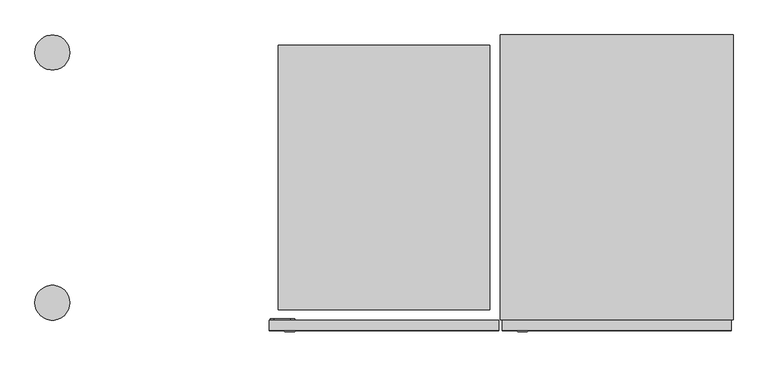
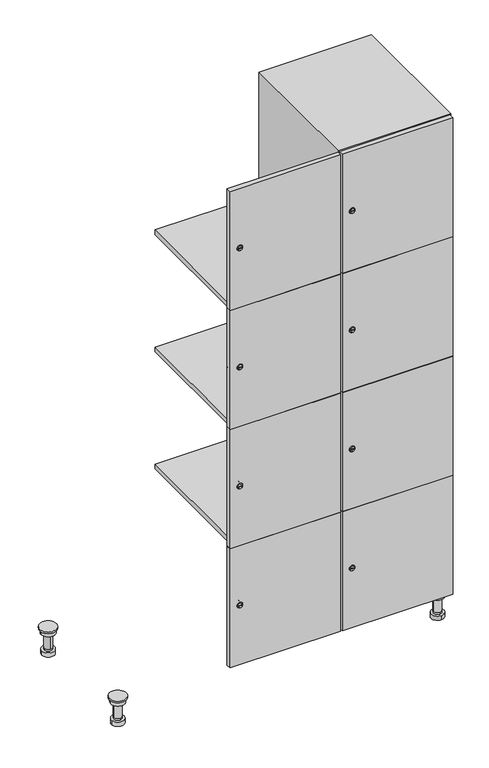
"""IFC4 building model written with IfcOpenShell, lengths in millimetres: furniture geometry."""

from ifc_helpers import new_model, si_unit, point, frame, frame_2d, origin, place, context, project, spatial, polyline, circle_curve, trimmed, segment, composite_curve, outline, extrude, faceted_brep, source, transform, mapped, element, save
from ifc_brep_helpers import plane_surface, cylinder_surface, revolved_surface, advanced_brep


def furniture_24aa68b5(model_context):
    return source(origin(), model_context, "Body", "SolidModel", [
        advanced_brep(
        [(970.0, -201.0, 22.0), (970.0, -201.5, 16.0), (970.0, -228.5, 16.0), (970.0, -229.0, 22.0), (956.0, -215.0, 22.0), (984.0, -215.0, 22.0), (970.0, -192.5, 16.0), (970.0, -237.5, 16.0), (970.0, -192.5, 0.0), (970.0, -237.5, 0.0), (984.0, -215.0, 78.0), (956.0, -215.0, 78.0), (995.0, -215.0, 78.0), (945.0, -215.0, 78.0), (1000.0, -215.0, 94.0), (940.0, -215.0, 94.0), (945.0, -215.0, 94.0), (995.0, -215.0, 94.0), (1000.0, -215.0, 100.0), (940.0, -215.0, 100.0)],
        [
            (0, 1),
            (1, 2, circle_curve(frame((970.0, -215.0, 16.0), z_axis=(0.0, 0.0, 1.0), x_axis=(0.0, -1.0, 0.0)), 13.5)),
            (2, 3),
            (3, 4, circle_curve(frame((970.0, -215.0, 22.0), z_axis=(0.0, 0.0, -1.0), x_axis=(0.0, -1.0, 0.0)), 14.0)),
            (4, 0, circle_curve(frame((970.0, -215.0, 22.0), z_axis=(0.0, 0.0, -1.0), x_axis=(0.0, -1.0, 0.0)), 14.0)),
            (0, 5, circle_curve(frame((970.0, -215.0, 22.0), z_axis=(0.0, 0.0, -1.0), x_axis=(0.0, 1.0, 0.0)), 14.0)),
            (5, 3, circle_curve(frame((970.0, -215.0, 22.0), z_axis=(0.0, 0.0, -1.0), x_axis=(0.0, 1.0, 0.0)), 14.0)),
            (2, 1, circle_curve(frame((970.0, -215.0, 16.0), z_axis=(0.0, 0.0, 1.0), x_axis=(0.0, 1.0, 0.0)), 13.5)),
            (6, 7, circle_curve(frame((970.0, -215.0, 16.0), z_axis=(0.0, 0.0, 1.0), x_axis=(0.0, -1.0, 0.0)), 22.5)),
            (7, 6, circle_curve(frame((970.0, -215.0, 16.0), z_axis=(0.0, 0.0, 1.0), x_axis=(0.0, -1.0, 0.0)), 22.5)),
            (8, 9, circle_curve(frame((970.0, -215.0, 0.0), z_axis=(0.0, 0.0, -1.0), x_axis=(0.0, -1.0, 0.0)), 22.5)),
            (9, 8, circle_curve(frame((970.0, -215.0, 0.0), z_axis=(0.0, 0.0, -1.0), x_axis=(0.0, -1.0, 0.0)), 22.5)),
            (6, 8),
            (9, 7),
            (5, 10),
            (10, 11, circle_curve(frame((970.0, -215.0, 78.0), z_axis=(0.0, 0.0, -1.0), x_axis=(-1.0, 0.0, 0.0)), 14.0)),
            (11, 4),
            (11, 10, circle_curve(frame((970.0, -215.0, 78.0), z_axis=(0.0, 0.0, -1.0), x_axis=(-1.0, 0.0, 0.0)), 14.0)),
            (12, 13, circle_curve(frame((970.0, -215.0, 78.0), z_axis=(0.0, 0.0, -1.0), x_axis=(-1.0, 0.0, 0.0)), 25.0)),
            (13, 12, circle_curve(frame((970.0, -215.0, 78.0), z_axis=(0.0, 0.0, -1.0), x_axis=(-1.0, 0.0, 0.0)), 25.0)),
            (14, 15, circle_curve(frame((970.0, -215.0, 94.0), z_axis=(0.0, 0.0, -1.0), x_axis=(-1.0, 0.0, 0.0)), 30.0)),
            (15, 14, circle_curve(frame((970.0, -215.0, 94.0), z_axis=(0.0, 0.0, -1.0), x_axis=(-1.0, 0.0, 0.0)), 30.0)),
            (16, 17, circle_curve(frame((970.0, -215.0, 94.0), z_axis=(0.0, 0.0, 1.0), x_axis=(-1.0, 0.0, 0.0)), 25.0)),
            (17, 16, circle_curve(frame((970.0, -215.0, 94.0), z_axis=(0.0, 0.0, 1.0), x_axis=(-1.0, 0.0, 0.0)), 25.0)),
            (18, 19, circle_curve(frame((970.0, -215.0, 100.0), z_axis=(0.0, 0.0, 1.0), x_axis=(-1.0, 0.0, 0.0)), 30.0)),
            (19, 18, circle_curve(frame((970.0, -215.0, 100.0), z_axis=(0.0, 0.0, 1.0), x_axis=(-1.0, 0.0, 0.0)), 30.0)),
            (14, 18),
            (19, 15),
            (12, 17),
            (16, 13),
        ],
        [
            revolved_surface(polyline([(970.0, -201.5, 16.0), (970.0, -201.0, 22.0)]), (970.0, -215.0, -146.0), (0.0, 0.0, 1.0)),
            plane_surface(frame((970.0, 0.0, 16.0), z_axis=(0.0, 0.0, 1.0), x_axis=(0.0, -1.0, 0.0))),
            plane_surface(frame((970.0, 0.0, 0.0), z_axis=(0.0, 0.0, -1.0), x_axis=(0.0, -1.0, 0.0))),
            cylinder_surface(frame((970.0, -215.0, 16.0), z_axis=(0.0, 0.0, 1.0), x_axis=(0.0, -1.0, 0.0)), 22.5),
            cylinder_surface(frame((970.0, -215.0, 22.0), z_axis=(0.0, 0.0, -1.0), x_axis=(-1.0, 0.0, 0.0)), 14.0),
            plane_surface(frame((970.0, 0.0, 78.0), z_axis=(0.0, 0.0, -1.0), x_axis=(0.0, -1.0, 0.0))),
            plane_surface(frame((970.0, 0.0, 94.0), z_axis=(0.0, 0.0, -1.0), x_axis=(0.0, -1.0, 0.0))),
            plane_surface(frame((970.0, 0.0, 100.0), z_axis=(0.0, 0.0, 1.0), x_axis=(0.0, -1.0, 0.0))),
            cylinder_surface(frame((970.0, -215.0, 94.0), z_axis=(0.0, 0.0, -1.0), x_axis=(-1.0, 0.0, 0.0)), 30.0),
            cylinder_surface(frame((970.0, -215.0, 78.0), z_axis=(0.0, 0.0, -1.0), x_axis=(-1.0, 0.0, 0.0)), 25.0),
        ],
        [
            (0, [[1, 2, 3, 4, 5]]),
            (0, [[-1, 6, 7, -3, 8]]),
            (1, [[9, 10], [-2, -8]]),
            (2, [[11, 12]]),
            (3, [[-9, 13, -12, 14]]),
            (3, [[-10, -14, -11, -13]]),
            (4, [[15, 16, 17, -4, -7]]),
            (4, [[-15, -6, -5, -17, 18]]),
            (5, [[19, 20], [-16, -18]]),
            (6, [[21, 22], [23, 24]]),
            (7, [[25, 26]]),
            (8, [[-21, 27, -26, 28]]),
            (8, [[-22, -28, -25, -27]]),
            (9, [[-19, 29, -23, 30]]),
            (9, [[-20, -30, -24, -29]]),
        ],
    ),
        advanced_brep(
        [(-170.0, -201.0, 22.0), (-170.0, -201.5, 16.0), (-170.0, -228.5, 16.0), (-170.0, -229.0, 22.0), (-184.0, -215.0, 22.0), (-156.0, -215.0, 22.0), (-147.5, -215.0, 0.0), (-192.5, -215.0, 0.0), (-147.5, -215.0, 16.0), (-192.5, -215.0, 16.0), (-156.0, -215.0, 78.0), (-184.0, -215.0, 78.0), (-145.0, -215.0, 78.0), (-195.0, -215.0, 78.0), (-140.0, -215.0, 94.0), (-200.0, -215.0, 94.0), (-195.0, -215.0, 94.0), (-145.0, -215.0, 94.0), (-140.0, -215.0, 100.0), (-200.0, -215.0, 100.0)],
        [
            (0, 1),
            (1, 2, circle_curve(frame((-170.0, -215.0, 16.0), z_axis=(0.0, 0.0, 1.0), x_axis=(0.0, -1.0, 0.0)), 13.5)),
            (2, 3),
            (3, 4, circle_curve(frame((-170.0, -215.0, 22.0), z_axis=(0.0, 0.0, -1.0), x_axis=(0.0, -1.0, 0.0)), 14.0)),
            (4, 0, circle_curve(frame((-170.0, -215.0, 22.0), z_axis=(0.0, 0.0, -1.0), x_axis=(0.0, -1.0, 0.0)), 14.0)),
            (0, 5, circle_curve(frame((-170.0, -215.0, 22.0), z_axis=(0.0, 0.0, -1.0), x_axis=(0.0, 1.0, 0.0)), 14.0)),
            (5, 3, circle_curve(frame((-170.0, -215.0, 22.0), z_axis=(0.0, 0.0, -1.0), x_axis=(0.0, 1.0, 0.0)), 14.0)),
            (2, 1, circle_curve(frame((-170.0, -215.0, 16.0), z_axis=(0.0, 0.0, 1.0), x_axis=(0.0, 1.0, 0.0)), 13.5)),
            (6, 7, circle_curve(frame((-170.0, -215.0, 0.0), z_axis=(0.0, 0.0, -1.0), x_axis=(-1.0, 0.0, 0.0)), 22.5)),
            (7, 6, circle_curve(frame((-170.0, -215.0, 0.0), z_axis=(0.0, 0.0, -1.0), x_axis=(-1.0, 0.0, 0.0)), 22.5)),
            (8, 9, circle_curve(frame((-170.0, -215.0, 16.0), z_axis=(0.0, 0.0, 1.0), x_axis=(-1.0, 0.0, 0.0)), 22.5)),
            (9, 8, circle_curve(frame((-170.0, -215.0, 16.0), z_axis=(0.0, 0.0, 1.0), x_axis=(-1.0, 0.0, 0.0)), 22.5)),
            (6, 8),
            (9, 7),
            (5, 10),
            (10, 11, circle_curve(frame((-170.0, -215.0, 78.0), z_axis=(0.0, 0.0, -1.0), x_axis=(-1.0, 0.0, 0.0)), 14.0)),
            (11, 4),
            (11, 10, circle_curve(frame((-170.0, -215.0, 78.0), z_axis=(0.0, 0.0, -1.0), x_axis=(-1.0, 0.0, 0.0)), 14.0)),
            (12, 13, circle_curve(frame((-170.0, -215.0, 78.0), z_axis=(0.0, 0.0, -1.0), x_axis=(-1.0, 0.0, 0.0)), 25.0)),
            (13, 12, circle_curve(frame((-170.0, -215.0, 78.0), z_axis=(0.0, 0.0, -1.0), x_axis=(-1.0, 0.0, 0.0)), 25.0)),
            (14, 15, circle_curve(frame((-170.0, -215.0, 94.0), z_axis=(0.0, 0.0, -1.0), x_axis=(-1.0, 0.0, 0.0)), 30.0)),
            (15, 14, circle_curve(frame((-170.0, -215.0, 94.0), z_axis=(0.0, 0.0, -1.0), x_axis=(-1.0, 0.0, 0.0)), 30.0)),
            (16, 17, circle_curve(frame((-170.0, -215.0, 94.0), z_axis=(0.0, 0.0, 1.0), x_axis=(-1.0, 0.0, 0.0)), 25.0)),
            (17, 16, circle_curve(frame((-170.0, -215.0, 94.0), z_axis=(0.0, 0.0, 1.0), x_axis=(-1.0, 0.0, 0.0)), 25.0)),
            (18, 19, circle_curve(frame((-170.0, -215.0, 100.0), z_axis=(0.0, 0.0, 1.0), x_axis=(-1.0, 0.0, 0.0)), 30.0)),
            (19, 18, circle_curve(frame((-170.0, -215.0, 100.0), z_axis=(0.0, 0.0, 1.0), x_axis=(-1.0, 0.0, 0.0)), 30.0)),
            (14, 18),
            (19, 15),
            (12, 17),
            (16, 13),
        ],
        [
            revolved_surface(polyline([(-170.0, -201.5, 16.0), (-170.0, -201.0, 22.0)]), (-170.0, -215.0, -146.0), (0.0, 0.0, 1.0)),
            plane_surface(frame((-170.0, 0.0, 0.0), z_axis=(0.0, 0.0, -1.0), x_axis=(0.0, -1.0, 0.0))),
            plane_surface(frame((-170.0, 0.0, 16.0), z_axis=(0.0, 0.0, 1.0), x_axis=(0.0, -1.0, 0.0))),
            cylinder_surface(frame((-170.0, -215.0, 0.0), z_axis=(0.0, 0.0, -1.0), x_axis=(-1.0, 0.0, 0.0)), 22.5),
            cylinder_surface(frame((-170.0, -215.0, 22.0), z_axis=(0.0, 0.0, -1.0), x_axis=(-1.0, 0.0, 0.0)), 14.0),
            plane_surface(frame((-170.0, 0.0, 78.0), z_axis=(0.0, 0.0, -1.0), x_axis=(0.0, -1.0, 0.0))),
            plane_surface(frame((-170.0, 0.0, 94.0), z_axis=(0.0, 0.0, -1.0), x_axis=(0.0, -1.0, 0.0))),
            plane_surface(frame((-170.0, 0.0, 100.0), z_axis=(0.0, 0.0, 1.0), x_axis=(0.0, -1.0, 0.0))),
            cylinder_surface(frame((-170.0, -215.0, 94.0), z_axis=(0.0, 0.0, -1.0), x_axis=(-1.0, 0.0, 0.0)), 30.0),
            cylinder_surface(frame((-170.0, -215.0, 78.0), z_axis=(0.0, 0.0, -1.0), x_axis=(-1.0, 0.0, 0.0)), 25.0),
        ],
        [
            (0, [[1, 2, 3, 4, 5]]),
            (0, [[-1, 6, 7, -3, 8]]),
            (1, [[9, 10]]),
            (2, [[11, 12], [-2, -8]]),
            (3, [[-9, 13, -12, 14]]),
            (3, [[-10, -14, -11, -13]]),
            (4, [[15, 16, 17, -4, -7]]),
            (4, [[-15, -6, -5, -17, 18]]),
            (5, [[19, 20], [-16, -18]]),
            (6, [[21, 22], [23, 24]]),
            (7, [[25, 26]]),
            (8, [[-21, 27, -26, 28]]),
            (8, [[-22, -28, -25, -27]]),
            (9, [[-19, 29, -23, 30]]),
            (9, [[-20, -30, -24, -29]]),
        ],
    ),
        advanced_brep(
        [(983.5, 215.0, 16.0), (984.0, 215.0, 22.0), (956.0, 215.0, 22.0), (956.5, 215.0, 16.0), (992.5, 215.0, 0.0), (947.5, 215.0, 0.0), (992.5, 215.0, 16.0), (947.5, 215.0, 16.0), (984.0, 215.0, 78.0), (956.0, 215.0, 78.0), (995.0, 215.0, 78.0), (945.0, 215.0, 78.0), (1000.0, 215.0, 94.0), (940.0, 215.0, 94.0), (945.0, 215.0, 94.0), (995.0, 215.0, 94.0), (1000.0, 215.0, 100.0), (940.0, 215.0, 100.0)],
        [
            (0, 1),
            (1, 2, circle_curve(frame((970.0, 215.0, 22.0), z_axis=(0.0, 0.0, -1.0), x_axis=(-1.0, 0.0, 0.0)), 14.0)),
            (2, 3),
            (3, 0, circle_curve(frame((970.0, 215.0, 16.0), z_axis=(0.0, 0.0, 1.0), x_axis=(-1.0, 0.0, 0.0)), 13.5)),
            (0, 3, circle_curve(frame((970.0, 215.0, 16.0), z_axis=(0.0, 0.0, 1.0), x_axis=(1.0, 0.0, 0.0)), 13.5)),
            (2, 1, circle_curve(frame((970.0, 215.0, 22.0), z_axis=(0.0, 0.0, -1.0), x_axis=(1.0, 0.0, 0.0)), 14.0)),
            (4, 5, circle_curve(frame((970.0, 215.0, 0.0), z_axis=(0.0, 0.0, -1.0), x_axis=(-1.0, 0.0, 0.0)), 22.5)),
            (5, 4, circle_curve(frame((970.0, 215.0, 0.0), z_axis=(0.0, 0.0, -1.0), x_axis=(-1.0, 0.0, 0.0)), 22.5)),
            (6, 7, circle_curve(frame((970.0, 215.0, 16.0), z_axis=(0.0, 0.0, 1.0), x_axis=(-1.0, 0.0, 0.0)), 22.5)),
            (7, 6, circle_curve(frame((970.0, 215.0, 16.0), z_axis=(0.0, 0.0, 1.0), x_axis=(-1.0, 0.0, 0.0)), 22.5)),
            (4, 6),
            (7, 5),
            (1, 8),
            (8, 9, circle_curve(frame((970.0, 215.0, 78.0), z_axis=(0.0, 0.0, -1.0), x_axis=(-1.0, 0.0, 0.0)), 14.0)),
            (9, 2),
            (9, 8, circle_curve(frame((970.0, 215.0, 78.0), z_axis=(0.0, 0.0, -1.0), x_axis=(-1.0, 0.0, 0.0)), 14.0)),
            (10, 11, circle_curve(frame((970.0, 215.0, 78.0), z_axis=(0.0, 0.0, -1.0), x_axis=(-1.0, 0.0, 0.0)), 25.0)),
            (11, 10, circle_curve(frame((970.0, 215.0, 78.0), z_axis=(0.0, 0.0, -1.0), x_axis=(-1.0, 0.0, 0.0)), 25.0)),
            (12, 13, circle_curve(frame((970.0, 215.0, 94.0), z_axis=(0.0, 0.0, -1.0), x_axis=(-1.0, 0.0, 0.0)), 30.0)),
            (13, 12, circle_curve(frame((970.0, 215.0, 94.0), z_axis=(0.0, 0.0, -1.0), x_axis=(-1.0, 0.0, 0.0)), 30.0)),
            (14, 15, circle_curve(frame((970.0, 215.0, 94.0), z_axis=(0.0, 0.0, 1.0), x_axis=(-1.0, 0.0, 0.0)), 25.0)),
            (15, 14, circle_curve(frame((970.0, 215.0, 94.0), z_axis=(0.0, 0.0, 1.0), x_axis=(-1.0, 0.0, 0.0)), 25.0)),
            (16, 17, circle_curve(frame((970.0, 215.0, 100.0), z_axis=(0.0, 0.0, 1.0), x_axis=(-1.0, 0.0, 0.0)), 30.0)),
            (17, 16, circle_curve(frame((970.0, 215.0, 100.0), z_axis=(0.0, 0.0, 1.0), x_axis=(-1.0, 0.0, 0.0)), 30.0)),
            (12, 16),
            (17, 13),
            (10, 15),
            (14, 11),
        ],
        [
            revolved_surface(polyline([(983.5, 215.0, 16.0), (984.0, 215.0, 22.0)]), (970.0, 215.0, -146.0), (0.0, 0.0, 1.0)),
            plane_surface(frame((970.0, 0.0, 0.0), z_axis=(0.0, 0.0, -1.0), x_axis=(0.0, -1.0, 0.0))),
            plane_surface(frame((970.0, 0.0, 16.0), z_axis=(0.0, 0.0, 1.0), x_axis=(0.0, -1.0, 0.0))),
            cylinder_surface(frame((970.0, 215.0, 0.0), z_axis=(0.0, 0.0, -1.0), x_axis=(-1.0, 0.0, 0.0)), 22.5),
            cylinder_surface(frame((970.0, 215.0, 22.0), z_axis=(0.0, 0.0, -1.0), x_axis=(-1.0, 0.0, 0.0)), 14.0),
            plane_surface(frame((970.0, 0.0, 78.0), z_axis=(0.0, 0.0, -1.0), x_axis=(0.0, -1.0, 0.0))),
            plane_surface(frame((970.0, 0.0, 94.0), z_axis=(0.0, 0.0, -1.0), x_axis=(0.0, -1.0, 0.0))),
            plane_surface(frame((970.0, 0.0, 100.0), z_axis=(0.0, 0.0, 1.0), x_axis=(0.0, -1.0, 0.0))),
            cylinder_surface(frame((970.0, 215.0, 94.0), z_axis=(0.0, 0.0, -1.0), x_axis=(-1.0, 0.0, 0.0)), 30.0),
            cylinder_surface(frame((970.0, 215.0, 78.0), z_axis=(0.0, 0.0, -1.0), x_axis=(-1.0, 0.0, 0.0)), 25.0),
        ],
        [
            (0, [[1, 2, 3, 4]]),
            (0, [[-1, 5, -3, 6]]),
            (1, [[7, 8]]),
            (2, [[9, 10], [-4, -5]]),
            (3, [[-7, 11, -10, 12]]),
            (3, [[-8, -12, -9, -11]]),
            (4, [[13, 14, 15, -2]]),
            (4, [[-13, -6, -15, 16]]),
            (5, [[17, 18], [-14, -16]]),
            (6, [[19, 20], [21, 22]]),
            (7, [[23, 24]]),
            (8, [[-19, 25, -24, 26]]),
            (8, [[-20, -26, -23, -25]]),
            (9, [[-17, 27, -21, 28]]),
            (9, [[-18, -28, -22, -27]]),
        ],
    ),
        advanced_brep(
        [(-156.5, 215.0, 16.0), (-156.0, 215.0, 22.0), (-170.0, 201.0, 22.0), (-184.0, 215.0, 22.0), (-183.5, 215.0, 16.0), (-170.0, 229.0, 22.0), (-147.5, 215.0, 0.0), (-192.5, 215.0, 0.0), (-147.5, 215.0, 16.0), (-192.5, 215.0, 16.0), (-170.0, 229.0, 78.0), (-170.0, 201.0, 78.0), (-145.0, 215.0, 78.0), (-195.0, 215.0, 78.0), (-140.0, 215.0, 94.0), (-200.0, 215.0, 94.0), (-195.0, 215.0, 94.0), (-145.0, 215.0, 94.0), (-140.0, 215.0, 100.0), (-200.0, 215.0, 100.0)],
        [
            (0, 1),
            (1, 2, circle_curve(frame((-170.0, 215.0, 22.0), z_axis=(0.0, 0.0, -1.0), x_axis=(-1.0, 0.0, 0.0)), 14.0)),
            (2, 3, circle_curve(frame((-170.0, 215.0, 22.0), z_axis=(0.0, 0.0, -1.0), x_axis=(-1.0, 0.0, 0.0)), 14.0)),
            (3, 4),
            (4, 0, circle_curve(frame((-170.0, 215.0, 16.0), z_axis=(0.0, 0.0, 1.0), x_axis=(-1.0, 0.0, 0.0)), 13.5)),
            (0, 4, circle_curve(frame((-170.0, 215.0, 16.0), z_axis=(0.0, 0.0, 1.0), x_axis=(1.0, 0.0, 0.0)), 13.5)),
            (3, 5, circle_curve(frame((-170.0, 215.0, 22.0), z_axis=(0.0, 0.0, -1.0), x_axis=(1.0, 0.0, 0.0)), 14.0)),
            (5, 1, circle_curve(frame((-170.0, 215.0, 22.0), z_axis=(0.0, 0.0, -1.0), x_axis=(1.0, 0.0, 0.0)), 14.0)),
            (6, 7, circle_curve(frame((-170.0, 215.0, 0.0), z_axis=(0.0, 0.0, -1.0), x_axis=(-1.0, 0.0, 0.0)), 22.5)),
            (7, 6, circle_curve(frame((-170.0, 215.0, 0.0), z_axis=(0.0, 0.0, -1.0), x_axis=(-1.0, 0.0, 0.0)), 22.5)),
            (8, 9, circle_curve(frame((-170.0, 215.0, 16.0), z_axis=(0.0, 0.0, 1.0), x_axis=(-1.0, 0.0, 0.0)), 22.5)),
            (9, 8, circle_curve(frame((-170.0, 215.0, 16.0), z_axis=(0.0, 0.0, 1.0), x_axis=(-1.0, 0.0, 0.0)), 22.5)),
            (6, 8),
            (9, 7),
            (10, 5),
            (2, 11),
            (11, 10, circle_curve(frame((-170.0, 215.0, 78.0), z_axis=(0.0, 0.0, -1.0), x_axis=(0.0, -1.0, 0.0)), 14.0)),
            (10, 11, circle_curve(frame((-170.0, 215.0, 78.0), z_axis=(0.0, 0.0, -1.0), x_axis=(0.0, -1.0, 0.0)), 14.0)),
            (12, 13, circle_curve(frame((-170.0, 215.0, 78.0), z_axis=(0.0, 0.0, -1.0), x_axis=(-1.0, 0.0, 0.0)), 25.0)),
            (13, 12, circle_curve(frame((-170.0, 215.0, 78.0), z_axis=(0.0, 0.0, -1.0), x_axis=(-1.0, 0.0, 0.0)), 25.0)),
            (14, 15, circle_curve(frame((-170.0, 215.0, 94.0), z_axis=(0.0, 0.0, -1.0), x_axis=(-1.0, 0.0, 0.0)), 30.0)),
            (15, 14, circle_curve(frame((-170.0, 215.0, 94.0), z_axis=(0.0, 0.0, -1.0), x_axis=(-1.0, 0.0, 0.0)), 30.0)),
            (16, 17, circle_curve(frame((-170.0, 215.0, 94.0), z_axis=(0.0, 0.0, 1.0), x_axis=(-1.0, 0.0, 0.0)), 25.0)),
            (17, 16, circle_curve(frame((-170.0, 215.0, 94.0), z_axis=(0.0, 0.0, 1.0), x_axis=(-1.0, 0.0, 0.0)), 25.0)),
            (18, 19, circle_curve(frame((-170.0, 215.0, 100.0), z_axis=(0.0, 0.0, 1.0), x_axis=(-1.0, 0.0, 0.0)), 30.0)),
            (19, 18, circle_curve(frame((-170.0, 215.0, 100.0), z_axis=(0.0, 0.0, 1.0), x_axis=(-1.0, 0.0, 0.0)), 30.0)),
            (14, 18),
            (19, 15),
            (12, 17),
            (16, 13),
        ],
        [
            revolved_surface(polyline([(-156.5, 215.0, 16.0), (-156.0, 215.0, 22.0)]), (-170.0, 215.0, -146.0), (0.0, 0.0, 1.0)),
            plane_surface(frame((-170.0, 0.0, 0.0), z_axis=(0.0, 0.0, -1.0), x_axis=(0.0, -1.0, 0.0))),
            plane_surface(frame((-170.0, 0.0, 16.0), z_axis=(0.0, 0.0, 1.0), x_axis=(0.0, -1.0, 0.0))),
            cylinder_surface(frame((-170.0, 215.0, 0.0), z_axis=(0.0, 0.0, -1.0), x_axis=(-1.0, 0.0, 0.0)), 22.5),
            cylinder_surface(frame((-170.0, 215.0, 78.0), z_axis=(0.0, 0.0, 1.0), x_axis=(0.0, -1.0, 0.0)), 14.0),
            plane_surface(frame((-170.0, 0.0, 78.0), z_axis=(0.0, 0.0, -1.0), x_axis=(0.0, -1.0, 0.0))),
            plane_surface(frame((-170.0, 0.0, 94.0), z_axis=(0.0, 0.0, -1.0), x_axis=(0.0, -1.0, 0.0))),
            plane_surface(frame((-170.0, 0.0, 100.0), z_axis=(0.0, 0.0, 1.0), x_axis=(0.0, -1.0, 0.0))),
            cylinder_surface(frame((-170.0, 215.0, 94.0), z_axis=(0.0, 0.0, -1.0), x_axis=(-1.0, 0.0, 0.0)), 30.0),
            cylinder_surface(frame((-170.0, 215.0, 78.0), z_axis=(0.0, 0.0, -1.0), x_axis=(-1.0, 0.0, 0.0)), 25.0),
        ],
        [
            (0, [[1, 2, 3, 4, 5]]),
            (0, [[-1, 6, -4, 7, 8]]),
            (1, [[9, 10]]),
            (2, [[11, 12], [-5, -6]]),
            (3, [[-9, 13, -12, 14]]),
            (3, [[-10, -14, -11, -13]]),
            (4, [[15, -7, -3, 16, 17]]),
            (4, [[-15, 18, -16, -2, -8]]),
            (5, [[19, 20], [-17, -18]]),
            (6, [[21, 22], [23, 24]]),
            (7, [[25, 26]]),
            (8, [[-21, 27, -26, 28]]),
            (8, [[-22, -28, -25, -27]]),
            (9, [[-19, 29, -23, 30]]),
            (9, [[-20, -30, -24, -29]]),
        ],
    ),
        extrude(outline(composite_curve([segment(trimmed(circle_curve(frame_2d((327.25, 611.2010534)), 7.0), [point((334.25, 611.2010534))], [point((320.25, 611.2010534))], False, "CARTESIAN"), True, "CONTINUOUS"), segment(polyline([(320.25, 611.2010534), (320.25, 639.2010534)]), True, "CONTINUOUS"), segment(trimmed(circle_curve(frame_2d((327.25, 639.2010534)), 7.0), [point((320.25, 639.2010534))], [point((334.25, 639.2010534))], False, "CARTESIAN"), True, "CONTINUOUS"), segment(polyline([(334.25, 639.2010534), (334.25, 611.2010534)]), True, "CONTINUOUS")], self_intersect=False)), frame((0.0, -245.0, 0.0), z_axis=(0.0, 1.0, 0.0), x_axis=(0.0, 0.0, 1.0)), (0.0, 0.0, 1.0), 2.0),
        advanced_brep(
        [(646.5, -265.2, 327.25), (629.5, -265.2, 327.25), (633.0, -265.2, 326.0), (633.0, -265.2, 328.5), (643.0, -265.2, 328.5), (643.0, -265.2, 326.0), (648.5, -263.0, 327.25), (627.5, -263.0, 327.25), (633.0, -263.0, 328.5), (633.0, -263.0, 326.0), (643.0, -263.0, 326.0), (643.0, -263.0, 328.5)],
        [
            (0, 1, circle_curve(frame((638.0, -265.2, 327.25), z_axis=(0.0, -1.0, 0.0), x_axis=(1.0, 0.0, 0.0)), 8.5)),
            (1, 0, circle_curve(frame((638.0, -265.2, 327.25), z_axis=(0.0, -1.0, 0.0), x_axis=(-1.0, 0.0, 0.0)), 8.5)),
            (2, 3),
            (3, 4),
            (4, 5),
            (5, 2),
            (6, 7, circle_curve(frame((638.0, -263.0, 327.25), z_axis=(0.0, 1.0, 0.0), x_axis=(-1.0, 0.0, 0.0)), 10.5)),
            (7, 6, circle_curve(frame((638.0, -263.0, 327.25), z_axis=(0.0, 1.0, 0.0), x_axis=(1.0, 0.0, 0.0)), 10.5)),
            (8, 9),
            (9, 10),
            (10, 11),
            (11, 8),
            (0, 6),
            (7, 1),
            (8, 3),
            (2, 9),
            (11, 4),
            (10, 5),
        ],
        [
            plane_surface(frame((638.0, -265.2, 327.25), z_axis=(0.0, -1.0, 0.0), x_axis=(0.0, 0.0, 1.0))),
            plane_surface(frame((638.0, -263.0, 327.25), z_axis=(0.0, 1.0, 0.0), x_axis=(0.0, 0.0, 1.0))),
            revolved_surface(polyline([(646.5, -265.2, 327.25), (648.5, -263.0, 327.25)]), (638.0, -274.55, 327.25), (0.0, 1.0, 0.0)),
            revolved_surface(polyline([(629.5, -265.2, 327.25), (627.5, -263.0, 327.25)]), (638.0, -274.55, 327.25), (0.0, 1.0, 0.0)),
            plane_surface(frame((633.0, -263.0, 326.0), z_axis=(1.0, 0.0, 0.0), x_axis=(0.0, -1.0, 0.0))),
            plane_surface(frame((633.0, -263.0, 328.5), z_axis=(0.0, 0.0, -1.0), x_axis=(0.0, -1.0, 0.0))),
            plane_surface(frame((643.0, -263.0, 328.5), z_axis=(-1.0, 0.0, 0.0), x_axis=(0.0, -1.0, 0.0))),
            plane_surface(frame((643.0, -263.0, 326.0), z_axis=(0.0, 0.0, 1.0), x_axis=(0.0, -1.0, 0.0))),
        ],
        [
            (0, [[1, 2], [3, 4, 5, 6]]),
            (1, [[7, 8], [9, 10, 11, 12]]),
            (2, [[-1, 13, -8, 14]]),
            (3, [[-2, -14, -7, -13]]),
            (4, [[15, -3, 16, -9]]),
            (5, [[-15, -12, 17, -4]]),
            (6, [[-17, -11, 18, -5]]),
            (7, [[-16, -6, -18, -10]]),
        ],
    ),
        extrude(outline(composite_curve([segment(trimmed(circle_curve(frame_2d((775.75, 611.2010534)), 7.0), [point((782.75, 611.2010534))], [point((768.75, 611.2010534))], False, "CARTESIAN"), True, "CONTINUOUS"), segment(polyline([(768.75, 611.2010534), (768.75, 639.2010534)]), True, "CONTINUOUS"), segment(trimmed(circle_curve(frame_2d((775.75, 639.2010534)), 7.0), [point((768.75, 639.2010534))], [point((782.75, 639.2010534))], False, "CARTESIAN"), True, "CONTINUOUS"), segment(polyline([(782.75, 639.2010534), (782.75, 611.2010534)]), True, "CONTINUOUS")], self_intersect=False)), frame((0.0, -245.0, 0.0), z_axis=(0.0, 1.0, 0.0), x_axis=(0.0, 0.0, 1.0)), (0.0, 0.0, 1.0), 2.0),
        advanced_brep(
        [(646.5, -265.2, 775.75), (629.5, -265.2, 775.75), (633.0, -265.2, 774.5), (633.0, -265.2, 777.0), (643.0, -265.2, 777.0), (643.0, -265.2, 774.5), (648.5, -263.0, 775.75), (627.5, -263.0, 775.75), (633.0, -263.0, 777.0), (633.0, -263.0, 774.5), (643.0, -263.0, 774.5), (643.0, -263.0, 777.0)],
        [
            (0, 1, circle_curve(frame((638.0, -265.2, 775.75), z_axis=(0.0, -1.0, 0.0), x_axis=(1.0, 0.0, 0.0)), 8.5)),
            (1, 0, circle_curve(frame((638.0, -265.2, 775.75), z_axis=(0.0, -1.0, 0.0), x_axis=(-1.0, 0.0, 0.0)), 8.5)),
            (2, 3),
            (3, 4),
            (4, 5),
            (5, 2),
            (6, 7, circle_curve(frame((638.0, -263.0, 775.75), z_axis=(0.0, 1.0, 0.0), x_axis=(-1.0, 0.0, 0.0)), 10.5)),
            (7, 6, circle_curve(frame((638.0, -263.0, 775.75), z_axis=(0.0, 1.0, 0.0), x_axis=(1.0, 0.0, 0.0)), 10.5)),
            (8, 9),
            (9, 10),
            (10, 11),
            (11, 8),
            (0, 6),
            (7, 1),
            (8, 3),
            (2, 9),
            (11, 4),
            (10, 5),
        ],
        [
            plane_surface(frame((638.0, -265.2, 775.75), z_axis=(0.0, -1.0, 0.0), x_axis=(0.0, 0.0, 1.0))),
            plane_surface(frame((638.0, -263.0, 775.75), z_axis=(0.0, 1.0, 0.0), x_axis=(0.0, 0.0, 1.0))),
            revolved_surface(polyline([(646.5, -265.2, 775.75), (648.5, -263.0, 775.75)]), (638.0, -274.55, 775.75), (0.0, 1.0, 0.0)),
            revolved_surface(polyline([(629.5, -265.2, 775.75), (627.5, -263.0, 775.75)]), (638.0, -274.55, 775.75), (0.0, 1.0, 0.0)),
            plane_surface(frame((633.0, -263.0, 774.5), z_axis=(1.0, 0.0, 0.0), x_axis=(0.0, -1.0, 0.0))),
            plane_surface(frame((633.0, -263.0, 777.0), z_axis=(0.0, 0.0, -1.0), x_axis=(0.0, -1.0, 0.0))),
            plane_surface(frame((643.0, -263.0, 777.0), z_axis=(-1.0, 0.0, 0.0), x_axis=(0.0, -1.0, 0.0))),
            plane_surface(frame((643.0, -263.0, 774.5), z_axis=(0.0, 0.0, 1.0), x_axis=(0.0, -1.0, 0.0))),
        ],
        [
            (0, [[1, 2], [3, 4, 5, 6]]),
            (1, [[7, 8], [9, 10, 11, 12]]),
            (2, [[-1, 13, -8, 14]]),
            (3, [[-2, -14, -7, -13]]),
            (4, [[15, -3, 16, -9]]),
            (5, [[-15, -12, 17, -4]]),
            (6, [[-17, -11, 18, -5]]),
            (7, [[-16, -6, -18, -10]]),
        ],
    ),
        extrude(outline(composite_curve([segment(trimmed(circle_curve(frame_2d((1224.25, 611.2010534)), 7.0), [point((1231.25, 611.2010534))], [point((1217.25, 611.2010534))], False, "CARTESIAN"), True, "CONTINUOUS"), segment(polyline([(1217.25, 611.2010534), (1217.25, 639.2010534)]), True, "CONTINUOUS"), segment(trimmed(circle_curve(frame_2d((1224.25, 639.2010534)), 7.0), [point((1217.25, 639.2010534))], [point((1231.25, 639.2010534))], False, "CARTESIAN"), True, "CONTINUOUS"), segment(polyline([(1231.25, 639.2010534), (1231.25, 611.2010534)]), True, "CONTINUOUS")], self_intersect=False)), frame((0.0, -245.0, 0.0), z_axis=(0.0, 1.0, 0.0), x_axis=(0.0, 0.0, 1.0)), (0.0, 0.0, 1.0), 2.0),
        advanced_brep(
        [(646.5, -265.2, 1224.25), (629.5, -265.2, 1224.25), (633.0, -265.2, 1223.0), (633.0, -265.2, 1225.5), (643.0, -265.2, 1225.5), (643.0, -265.2, 1223.0), (648.5, -263.0, 1224.25), (627.5, -263.0, 1224.25), (633.0, -263.0, 1225.5), (633.0, -263.0, 1223.0), (643.0, -263.0, 1223.0), (643.0, -263.0, 1225.5)],
        [
            (0, 1, circle_curve(frame((638.0, -265.2, 1224.25), z_axis=(0.0, -1.0, 0.0), x_axis=(1.0, 0.0, 0.0)), 8.5)),
            (1, 0, circle_curve(frame((638.0, -265.2, 1224.25), z_axis=(0.0, -1.0, 0.0), x_axis=(-1.0, 0.0, 0.0)), 8.5)),
            (2, 3),
            (3, 4),
            (4, 5),
            (5, 2),
            (6, 7, circle_curve(frame((638.0, -263.0, 1224.25), z_axis=(0.0, 1.0, 0.0), x_axis=(-1.0, 0.0, 0.0)), 10.5)),
            (7, 6, circle_curve(frame((638.0, -263.0, 1224.25), z_axis=(0.0, 1.0, 0.0), x_axis=(1.0, 0.0, 0.0)), 10.5)),
            (8, 9),
            (9, 10),
            (10, 11),
            (11, 8),
            (0, 6),
            (7, 1),
            (8, 3),
            (2, 9),
            (11, 4),
            (10, 5),
        ],
        [
            plane_surface(frame((638.0, -265.2, 1224.25), z_axis=(0.0, -1.0, 0.0), x_axis=(0.0, 0.0, 1.0))),
            plane_surface(frame((638.0, -263.0, 1224.25), z_axis=(0.0, 1.0, 0.0), x_axis=(0.0, 0.0, 1.0))),
            revolved_surface(polyline([(646.5, -265.2, 1224.25), (648.5, -263.0, 1224.25)]), (638.0, -274.55, 1224.25), (0.0, 1.0, 0.0)),
            revolved_surface(polyline([(629.5, -265.2, 1224.25), (627.5, -263.0, 1224.25)]), (638.0, -274.55, 1224.25), (0.0, 1.0, 0.0)),
            plane_surface(frame((633.0, -263.0, 1223.0), z_axis=(1.0, 0.0, 0.0), x_axis=(0.0, -1.0, 0.0))),
            plane_surface(frame((633.0, -263.0, 1225.5), z_axis=(0.0, 0.0, -1.0), x_axis=(0.0, -1.0, 0.0))),
            plane_surface(frame((643.0, -263.0, 1225.5), z_axis=(-1.0, 0.0, 0.0), x_axis=(0.0, -1.0, 0.0))),
            plane_surface(frame((643.0, -263.0, 1223.0), z_axis=(0.0, 0.0, 1.0), x_axis=(0.0, -1.0, 0.0))),
        ],
        [
            (0, [[1, 2], [3, 4, 5, 6]]),
            (1, [[7, 8], [9, 10, 11, 12]]),
            (2, [[-1, 13, -8, 14]]),
            (3, [[-2, -14, -7, -13]]),
            (4, [[15, -3, 16, -9]]),
            (5, [[-15, -12, 17, -4]]),
            (6, [[-17, -11, 18, -5]]),
            (7, [[-16, -6, -18, -10]]),
        ],
    ),
        extrude(outline(composite_curve([segment(trimmed(circle_curve(frame_2d((1672.75, 611.2010534)), 7.0), [point((1679.75, 611.2010534))], [point((1665.75, 611.2010534))], False, "CARTESIAN"), True, "CONTINUOUS"), segment(polyline([(1665.75, 611.2010534), (1665.75, 639.2010534)]), True, "CONTINUOUS"), segment(trimmed(circle_curve(frame_2d((1672.75, 639.2010534)), 7.0), [point((1665.75, 639.2010534))], [point((1679.75, 639.2010534))], False, "CARTESIAN"), True, "CONTINUOUS"), segment(polyline([(1679.75, 639.2010534), (1679.75, 611.2010534)]), True, "CONTINUOUS")], self_intersect=False)), frame((0.0, -245.0, 0.0), z_axis=(0.0, 1.0, 0.0), x_axis=(0.0, 0.0, 1.0)), (0.0, 0.0, 1.0), 2.0),
        advanced_brep(
        [(646.5, -265.2, 1672.75), (629.5, -265.2, 1672.75), (633.0, -265.2, 1671.5), (633.0, -265.2, 1674.0), (643.0, -265.2, 1674.0), (643.0, -265.2, 1671.5), (648.5, -263.0, 1672.75), (627.5, -263.0, 1672.75), (633.0, -263.0, 1674.0), (633.0, -263.0, 1671.5), (643.0, -263.0, 1671.5), (643.0, -263.0, 1674.0)],
        [
            (0, 1, circle_curve(frame((638.0, -265.2, 1672.75), z_axis=(0.0, -1.0, 0.0), x_axis=(1.0, 0.0, 0.0)), 8.5)),
            (1, 0, circle_curve(frame((638.0, -265.2, 1672.75), z_axis=(0.0, -1.0, 0.0), x_axis=(-1.0, 0.0, 0.0)), 8.5)),
            (2, 3),
            (3, 4),
            (4, 5),
            (5, 2),
            (6, 7, circle_curve(frame((638.0, -263.0, 1672.75), z_axis=(0.0, 1.0, 0.0), x_axis=(-1.0, 0.0, 0.0)), 10.5)),
            (7, 6, circle_curve(frame((638.0, -263.0, 1672.75), z_axis=(0.0, 1.0, 0.0), x_axis=(1.0, 0.0, 0.0)), 10.5)),
            (8, 9),
            (9, 10),
            (10, 11),
            (11, 8),
            (0, 6),
            (7, 1),
            (8, 3),
            (2, 9),
            (11, 4),
            (10, 5),
        ],
        [
            plane_surface(frame((638.0, -265.2, 1672.75), z_axis=(0.0, -1.0, 0.0), x_axis=(0.0, 0.0, 1.0))),
            plane_surface(frame((638.0, -263.0, 1672.75), z_axis=(0.0, 1.0, 0.0), x_axis=(0.0, 0.0, 1.0))),
            revolved_surface(polyline([(646.5, -265.2, 1672.75), (648.5, -263.0, 1672.75)]), (638.0, -274.55, 1672.75), (0.0, 1.0, 0.0)),
            revolved_surface(polyline([(629.5, -265.2, 1672.75), (627.5, -263.0, 1672.75)]), (638.0, -274.55, 1672.75), (0.0, 1.0, 0.0)),
            plane_surface(frame((633.0, -263.0, 1671.5), z_axis=(1.0, 0.0, 0.0), x_axis=(0.0, -1.0, 0.0))),
            plane_surface(frame((633.0, -263.0, 1674.0), z_axis=(0.0, 0.0, -1.0), x_axis=(0.0, -1.0, 0.0))),
            plane_surface(frame((643.0, -263.0, 1674.0), z_axis=(-1.0, 0.0, 0.0), x_axis=(0.0, -1.0, 0.0))),
            plane_surface(frame((643.0, -263.0, 1671.5), z_axis=(0.0, 0.0, 1.0), x_axis=(0.0, -1.0, 0.0))),
        ],
        [
            (0, [[1, 2], [3, 4, 5, 6]]),
            (1, [[7, 8], [9, 10, 11, 12]]),
            (2, [[-1, 13, -8, 14]]),
            (3, [[-2, -14, -7, -13]]),
            (4, [[15, -3, 16, -9]]),
            (5, [[-15, -12, 17, -4]]),
            (6, [[-17, -11, 18, -5]]),
            (7, [[-16, -6, -18, -10]]),
        ],
    ),
        extrude(outline(polyline([(997.0, -245.0), (997.0, -263.0), (603.0, -263.0), (603.0, -245.0), (997.0, -245.0)])), frame((0.0, 0.0, 551.0), z_axis=(0.0, 0.0, 1.0), x_axis=(1.0, 0.0, 0.0)), (0.0, 0.0, 1.0), 448.5),
        extrude(outline(polyline([(997.0, -245.0), (997.0, -263.0), (603.0, -263.0), (603.0, -245.0), (997.0, -245.0)])), frame((0.0, 0.0, 1000.5), z_axis=(0.0, 0.0, 1.0), x_axis=(1.0, 0.0, 0.0)), (0.0, 0.0, 1.0), 447.5),
        extrude(outline(polyline([(603.0, -263.0), (603.0, -245.0), (997.0, -245.0), (997.0, -263.0), (603.0, -263.0)])), frame((0.0, 0.0, 1449.0), z_axis=(0.0, 0.0, 1.0), x_axis=(1.0, 0.0, 0.0)), (0.0, 0.0, 1.0), 448.0),
        extrude(outline(polyline([(997.0, -245.0), (997.0, -263.0), (603.0, -263.0), (603.0, -245.0), (997.0, -245.0)])), frame((0.0, 0.0, 103.0), z_axis=(0.0, 0.0, 1.0), x_axis=(1.0, 0.0, 0.0)), (0.0, 0.0, 1.0), 449.0),
        extrude(outline(polyline([(982.0, 227.0), (982.0, -227.0), (618.0, -227.0), (618.0, 227.0), (982.0, 227.0)])), frame((0.0, 0.0, 1432.0), z_axis=(0.0, 0.0, 1.0), x_axis=(1.0, 0.0, 0.0)), (0.0, 0.0, 1.0), 18.0),
        extrude(outline(polyline([(982.0, 227.0), (982.0, -227.0), (618.0, -227.0), (618.0, 227.0), (982.0, 227.0)])), frame((0.0, 0.0, 991.0), z_axis=(0.0, 0.0, 1.0), x_axis=(1.0, 0.0, 0.0)), (0.0, 0.0, 1.0), 18.0),
        extrude(outline(polyline([(982.0, 227.0), (982.0, -227.0), (618.0, -227.0), (618.0, 227.0), (982.0, 227.0)])), frame((0.0, 0.0, 550.0), z_axis=(0.0, 0.0, 1.0), x_axis=(1.0, 0.0, 0.0)), (0.0, 0.0, 1.0), 18.0),
        faceted_brep([(1000.0, -245.0, 100.0), (1000.0, -245.0, 1900.0), (600.0, -245.0, 1900.0), (600.0, -245.0, 100.0), (982.0, -245.0, 1882.0), (982.0, -245.0, 118.0), (618.0, -245.0, 118.0), (618.0, -245.0, 1882.0), (1000.0, 245.0, 100.0), (600.0, 245.0, 100.0), (1000.0, 245.0, 1900.0), (600.0, 245.0, 1900.0), (982.0, 227.0, 1882.0), (982.0, 227.0, 118.0), (600.0, 245.0, 1882.0), (618.0, 227.0, 1882.0), (618.0, 227.0, 118.0)], [[[0, 1, 2, 3], [4, 5, 6, 7]], [[8, 0, 3, 9]], [[1, 0, 8, 10]], [[1, 10, 11, 2]], [[4, 12, 13, 5]], [[9, 3, 2, 11, 14]], [[10, 8, 9, 14, 11]], [[12, 15, 16, 13]], [[15, 7, 6, 16]], [[4, 7, 15, 12]], [[6, 5, 13, 16]]]),
        extrude(outline(composite_curve([segment(trimmed(circle_curve(frame_2d((327.25, 211.2010534)), 7.0), [point((334.25, 211.2010534))], [point((320.25, 211.2010534))], False, "CARTESIAN"), True, "CONTINUOUS"), segment(polyline([(320.25, 211.2010534), (320.25, 239.2010534)]), True, "CONTINUOUS"), segment(trimmed(circle_curve(frame_2d((327.25, 239.2010534)), 7.0), [point((320.25, 239.2010534))], [point((334.25, 239.2010534))], False, "CARTESIAN"), True, "CONTINUOUS"), segment(polyline([(334.25, 239.2010534), (334.25, 211.2010534)]), True, "CONTINUOUS")], self_intersect=False)), frame((0.0, -245.0, 0.0), z_axis=(0.0, 1.0, 0.0), x_axis=(0.0, 0.0, 1.0)), (0.0, 0.0, 1.0), 2.0),
        advanced_brep(
        [(246.5, -265.2, 327.25), (229.5, -265.2, 327.25), (233.0, -265.2, 326.0), (233.0, -265.2, 328.5), (243.0, -265.2, 328.5), (243.0, -265.2, 326.0), (248.5, -263.0, 327.25), (227.5, -263.0, 327.25), (233.0, -263.0, 328.5), (233.0, -263.0, 326.0), (243.0, -263.0, 326.0), (243.0, -263.0, 328.5)],
        [
            (0, 1, circle_curve(frame((238.0, -265.2, 327.25), z_axis=(0.0, -1.0, 0.0), x_axis=(1.0, 0.0, 0.0)), 8.5)),
            (1, 0, circle_curve(frame((238.0, -265.2, 327.25), z_axis=(0.0, -1.0, 0.0), x_axis=(-1.0, 0.0, 0.0)), 8.5)),
            (2, 3),
            (3, 4),
            (4, 5),
            (5, 2),
            (6, 7, circle_curve(frame((238.0, -263.0, 327.25), z_axis=(0.0, 1.0, 0.0), x_axis=(-1.0, 0.0, 0.0)), 10.5)),
            (7, 6, circle_curve(frame((238.0, -263.0, 327.25), z_axis=(0.0, 1.0, 0.0), x_axis=(1.0, 0.0, 0.0)), 10.5)),
            (8, 9),
            (9, 10),
            (10, 11),
            (11, 8),
            (0, 6),
            (7, 1),
            (8, 3),
            (2, 9),
            (11, 4),
            (10, 5),
        ],
        [
            plane_surface(frame((238.0, -265.2, 327.25), z_axis=(0.0, -1.0, 0.0), x_axis=(0.0, 0.0, 1.0))),
            plane_surface(frame((238.0, -263.0, 327.25), z_axis=(0.0, 1.0, 0.0), x_axis=(0.0, 0.0, 1.0))),
            revolved_surface(polyline([(246.5, -265.2, 327.25), (248.5, -263.0, 327.25)]), (238.0, -274.55, 327.25), (0.0, 1.0, 0.0)),
            revolved_surface(polyline([(229.5, -265.2, 327.25), (227.5, -263.0, 327.25)]), (238.0, -274.55, 327.25), (0.0, 1.0, 0.0)),
            plane_surface(frame((233.0, -263.0, 326.0), z_axis=(1.0, 0.0, 0.0), x_axis=(0.0, -1.0, 0.0))),
            plane_surface(frame((233.0, -263.0, 328.5), z_axis=(0.0, 0.0, -1.0), x_axis=(0.0, -1.0, 0.0))),
            plane_surface(frame((243.0, -263.0, 328.5), z_axis=(-1.0, 0.0, 0.0), x_axis=(0.0, -1.0, 0.0))),
            plane_surface(frame((243.0, -263.0, 326.0), z_axis=(0.0, 0.0, 1.0), x_axis=(0.0, -1.0, 0.0))),
        ],
        [
            (0, [[1, 2], [3, 4, 5, 6]]),
            (1, [[7, 8], [9, 10, 11, 12]]),
            (2, [[-1, 13, -8, 14]]),
            (3, [[-2, -14, -7, -13]]),
            (4, [[15, -3, 16, -9]]),
            (5, [[-15, -12, 17, -4]]),
            (6, [[-17, -11, 18, -5]]),
            (7, [[-16, -6, -18, -10]]),
        ],
    ),
        extrude(outline(composite_curve([segment(trimmed(circle_curve(frame_2d((775.75, 211.2010534)), 7.0), [point((782.75, 211.2010534))], [point((768.75, 211.2010534))], False, "CARTESIAN"), True, "CONTINUOUS"), segment(polyline([(768.75, 211.2010534), (768.75, 239.2010534)]), True, "CONTINUOUS"), segment(trimmed(circle_curve(frame_2d((775.75, 239.2010534)), 7.0), [point((768.75, 239.2010534))], [point((782.75, 239.2010534))], False, "CARTESIAN"), True, "CONTINUOUS"), segment(polyline([(782.75, 239.2010534), (782.75, 211.2010534)]), True, "CONTINUOUS")], self_intersect=False)), frame((0.0, -245.0, 0.0), z_axis=(0.0, 1.0, 0.0), x_axis=(0.0, 0.0, 1.0)), (0.0, 0.0, 1.0), 2.0),
        advanced_brep(
        [(246.5, -265.2, 775.75), (229.5, -265.2, 775.75), (233.0, -265.2, 774.5), (233.0, -265.2, 777.0), (243.0, -265.2, 777.0), (243.0, -265.2, 774.5), (248.5, -263.0, 775.75), (227.5, -263.0, 775.75), (233.0, -263.0, 777.0), (233.0, -263.0, 774.5), (243.0, -263.0, 774.5), (243.0, -263.0, 777.0)],
        [
            (0, 1, circle_curve(frame((238.0, -265.2, 775.75), z_axis=(0.0, -1.0, 0.0), x_axis=(1.0, 0.0, 0.0)), 8.5)),
            (1, 0, circle_curve(frame((238.0, -265.2, 775.75), z_axis=(0.0, -1.0, 0.0), x_axis=(-1.0, 0.0, 0.0)), 8.5)),
            (2, 3),
            (3, 4),
            (4, 5),
            (5, 2),
            (6, 7, circle_curve(frame((238.0, -263.0, 775.75), z_axis=(0.0, 1.0, 0.0), x_axis=(-1.0, 0.0, 0.0)), 10.5)),
            (7, 6, circle_curve(frame((238.0, -263.0, 775.75), z_axis=(0.0, 1.0, 0.0), x_axis=(1.0, 0.0, 0.0)), 10.5)),
            (8, 9),
            (9, 10),
            (10, 11),
            (11, 8),
            (0, 6),
            (7, 1),
            (8, 3),
            (2, 9),
            (11, 4),
            (10, 5),
        ],
        [
            plane_surface(frame((238.0, -265.2, 775.75), z_axis=(0.0, -1.0, 0.0), x_axis=(0.0, 0.0, 1.0))),
            plane_surface(frame((238.0, -263.0, 775.75), z_axis=(0.0, 1.0, 0.0), x_axis=(0.0, 0.0, 1.0))),
            revolved_surface(polyline([(246.5, -265.2, 775.75), (248.5, -263.0, 775.75)]), (238.0, -274.55, 775.75), (0.0, 1.0, 0.0)),
            revolved_surface(polyline([(229.5, -265.2, 775.75), (227.5, -263.0, 775.75)]), (238.0, -274.55, 775.75), (0.0, 1.0, 0.0)),
            plane_surface(frame((233.0, -263.0, 774.5), z_axis=(1.0, 0.0, 0.0), x_axis=(0.0, -1.0, 0.0))),
            plane_surface(frame((233.0, -263.0, 777.0), z_axis=(0.0, 0.0, -1.0), x_axis=(0.0, -1.0, 0.0))),
            plane_surface(frame((243.0, -263.0, 777.0), z_axis=(-1.0, 0.0, 0.0), x_axis=(0.0, -1.0, 0.0))),
            plane_surface(frame((243.0, -263.0, 774.5), z_axis=(0.0, 0.0, 1.0), x_axis=(0.0, -1.0, 0.0))),
        ],
        [
            (0, [[1, 2], [3, 4, 5, 6]]),
            (1, [[7, 8], [9, 10, 11, 12]]),
            (2, [[-1, 13, -8, 14]]),
            (3, [[-2, -14, -7, -13]]),
            (4, [[15, -3, 16, -9]]),
            (5, [[-15, -12, 17, -4]]),
            (6, [[-17, -11, 18, -5]]),
            (7, [[-16, -6, -18, -10]]),
        ],
    ),
        extrude(outline(composite_curve([segment(trimmed(circle_curve(frame_2d((1224.25, 211.2010534)), 7.0), [point((1231.25, 211.2010534))], [point((1217.25, 211.2010534))], False, "CARTESIAN"), True, "CONTINUOUS"), segment(polyline([(1217.25, 211.2010534), (1217.25, 239.2010534)]), True, "CONTINUOUS"), segment(trimmed(circle_curve(frame_2d((1224.25, 239.2010534)), 7.0), [point((1217.25, 239.2010534))], [point((1231.25, 239.2010534))], False, "CARTESIAN"), True, "CONTINUOUS"), segment(polyline([(1231.25, 239.2010534), (1231.25, 211.2010534)]), True, "CONTINUOUS")], self_intersect=False)), frame((0.0, -245.0, 0.0), z_axis=(0.0, 1.0, 0.0), x_axis=(0.0, 0.0, 1.0)), (0.0, 0.0, 1.0), 2.0),
        advanced_brep(
        [(246.5, -265.2, 1224.25), (229.5, -265.2, 1224.25), (233.0, -265.2, 1223.0), (233.0, -265.2, 1225.5), (243.0, -265.2, 1225.5), (243.0, -265.2, 1223.0), (248.5, -263.0, 1224.25), (227.5, -263.0, 1224.25), (233.0, -263.0, 1225.5), (233.0, -263.0, 1223.0), (243.0, -263.0, 1223.0), (243.0, -263.0, 1225.5)],
        [
            (0, 1, circle_curve(frame((238.0, -265.2, 1224.25), z_axis=(0.0, -1.0, 0.0), x_axis=(1.0, 0.0, 0.0)), 8.5)),
            (1, 0, circle_curve(frame((238.0, -265.2, 1224.25), z_axis=(0.0, -1.0, 0.0), x_axis=(-1.0, 0.0, 0.0)), 8.5)),
            (2, 3),
            (3, 4),
            (4, 5),
            (5, 2),
            (6, 7, circle_curve(frame((238.0, -263.0, 1224.25), z_axis=(0.0, 1.0, 0.0), x_axis=(-1.0, 0.0, 0.0)), 10.5)),
            (7, 6, circle_curve(frame((238.0, -263.0, 1224.25), z_axis=(0.0, 1.0, 0.0), x_axis=(1.0, 0.0, 0.0)), 10.5)),
            (8, 9),
            (9, 10),
            (10, 11),
            (11, 8),
            (0, 6),
            (7, 1),
            (8, 3),
            (2, 9),
            (11, 4),
            (10, 5),
        ],
        [
            plane_surface(frame((238.0, -265.2, 1224.25), z_axis=(0.0, -1.0, 0.0), x_axis=(0.0, 0.0, 1.0))),
            plane_surface(frame((238.0, -263.0, 1224.25), z_axis=(0.0, 1.0, 0.0), x_axis=(0.0, 0.0, 1.0))),
            revolved_surface(polyline([(246.5, -265.2, 1224.25), (248.5, -263.0, 1224.25)]), (238.0, -274.55, 1224.25), (0.0, 1.0, 0.0)),
            revolved_surface(polyline([(229.5, -265.2, 1224.25), (227.5, -263.0, 1224.25)]), (238.0, -274.55, 1224.25), (0.0, 1.0, 0.0)),
            plane_surface(frame((233.0, -263.0, 1223.0), z_axis=(1.0, 0.0, 0.0), x_axis=(0.0, -1.0, 0.0))),
            plane_surface(frame((233.0, -263.0, 1225.5), z_axis=(0.0, 0.0, -1.0), x_axis=(0.0, -1.0, 0.0))),
            plane_surface(frame((243.0, -263.0, 1225.5), z_axis=(-1.0, 0.0, 0.0), x_axis=(0.0, -1.0, 0.0))),
            plane_surface(frame((243.0, -263.0, 1223.0), z_axis=(0.0, 0.0, 1.0), x_axis=(0.0, -1.0, 0.0))),
        ],
        [
            (0, [[1, 2], [3, 4, 5, 6]]),
            (1, [[7, 8], [9, 10, 11, 12]]),
            (2, [[-1, 13, -8, 14]]),
            (3, [[-2, -14, -7, -13]]),
            (4, [[15, -3, 16, -9]]),
            (5, [[-15, -12, 17, -4]]),
            (6, [[-17, -11, 18, -5]]),
            (7, [[-16, -6, -18, -10]]),
        ],
    ),
        extrude(outline(composite_curve([segment(trimmed(circle_curve(frame_2d((1672.75, 211.2010534)), 7.0), [point((1679.75, 211.2010534))], [point((1665.75, 211.2010534))], False, "CARTESIAN"), True, "CONTINUOUS"), segment(polyline([(1665.75, 211.2010534), (1665.75, 239.2010534)]), True, "CONTINUOUS"), segment(trimmed(circle_curve(frame_2d((1672.75, 239.2010534)), 7.0), [point((1665.75, 239.2010534))], [point((1679.75, 239.2010534))], False, "CARTESIAN"), True, "CONTINUOUS"), segment(polyline([(1679.75, 239.2010534), (1679.75, 211.2010534)]), True, "CONTINUOUS")], self_intersect=False)), frame((0.0, -245.0, 0.0), z_axis=(0.0, 1.0, 0.0), x_axis=(0.0, 0.0, 1.0)), (0.0, 0.0, 1.0), 2.0),
        advanced_brep(
        [(246.5, -265.2, 1672.75), (229.5, -265.2, 1672.75), (233.0, -265.2, 1671.5), (233.0, -265.2, 1674.0), (243.0, -265.2, 1674.0), (243.0, -265.2, 1671.5), (248.5, -263.0, 1672.75), (227.5, -263.0, 1672.75), (233.0, -263.0, 1674.0), (233.0, -263.0, 1671.5), (243.0, -263.0, 1671.5), (243.0, -263.0, 1674.0)],
        [
            (0, 1, circle_curve(frame((238.0, -265.2, 1672.75), z_axis=(0.0, -1.0, 0.0), x_axis=(1.0, 0.0, 0.0)), 8.5)),
            (1, 0, circle_curve(frame((238.0, -265.2, 1672.75), z_axis=(0.0, -1.0, 0.0), x_axis=(-1.0, 0.0, 0.0)), 8.5)),
            (2, 3),
            (3, 4),
            (4, 5),
            (5, 2),
            (6, 7, circle_curve(frame((238.0, -263.0, 1672.75), z_axis=(0.0, 1.0, 0.0), x_axis=(-1.0, 0.0, 0.0)), 10.5)),
            (7, 6, circle_curve(frame((238.0, -263.0, 1672.75), z_axis=(0.0, 1.0, 0.0), x_axis=(1.0, 0.0, 0.0)), 10.5)),
            (8, 9),
            (9, 10),
            (10, 11),
            (11, 8),
            (0, 6),
            (7, 1),
            (8, 3),
            (2, 9),
            (11, 4),
            (10, 5),
        ],
        [
            plane_surface(frame((238.0, -265.2, 1672.75), z_axis=(0.0, -1.0, 0.0), x_axis=(0.0, 0.0, 1.0))),
            plane_surface(frame((238.0, -263.0, 1672.75), z_axis=(0.0, 1.0, 0.0), x_axis=(0.0, 0.0, 1.0))),
            revolved_surface(polyline([(246.5, -265.2, 1672.75), (248.5, -263.0, 1672.75)]), (238.0, -274.55, 1672.75), (0.0, 1.0, 0.0)),
            revolved_surface(polyline([(229.5, -265.2, 1672.75), (227.5, -263.0, 1672.75)]), (238.0, -274.55, 1672.75), (0.0, 1.0, 0.0)),
            plane_surface(frame((233.0, -263.0, 1671.5), z_axis=(1.0, 0.0, 0.0), x_axis=(0.0, -1.0, 0.0))),
            plane_surface(frame((233.0, -263.0, 1674.0), z_axis=(0.0, 0.0, -1.0), x_axis=(0.0, -1.0, 0.0))),
            plane_surface(frame((243.0, -263.0, 1674.0), z_axis=(-1.0, 0.0, 0.0), x_axis=(0.0, -1.0, 0.0))),
            plane_surface(frame((243.0, -263.0, 1671.5), z_axis=(0.0, 0.0, 1.0), x_axis=(0.0, -1.0, 0.0))),
        ],
        [
            (0, [[1, 2], [3, 4, 5, 6]]),
            (1, [[7, 8], [9, 10, 11, 12]]),
            (2, [[-1, 13, -8, 14]]),
            (3, [[-2, -14, -7, -13]]),
            (4, [[15, -3, 16, -9]]),
            (5, [[-15, -12, 17, -4]]),
            (6, [[-17, -11, 18, -5]]),
            (7, [[-16, -6, -18, -10]]),
        ],
    ),
        extrude(outline(polyline([(597.0, -245.0), (597.0, -263.0), (203.0, -263.0), (203.0, -245.0), (597.0, -245.0)])), frame((0.0, 0.0, 551.0), z_axis=(0.0, 0.0, 1.0), x_axis=(1.0, 0.0, 0.0)), (0.0, 0.0, 1.0), 448.5),
        extrude(outline(polyline([(597.0, -245.0), (597.0, -263.0), (203.0, -263.0), (203.0, -245.0), (597.0, -245.0)])), frame((0.0, 0.0, 1000.5), z_axis=(0.0, 0.0, 1.0), x_axis=(1.0, 0.0, 0.0)), (0.0, 0.0, 1.0), 447.5),
        extrude(outline(polyline([(203.0, -263.0), (203.0, -245.0), (597.0, -245.0), (597.0, -263.0), (203.0, -263.0)])), frame((0.0, 0.0, 1449.0), z_axis=(0.0, 0.0, 1.0), x_axis=(1.0, 0.0, 0.0)), (0.0, 0.0, 1.0), 448.0),
        extrude(outline(polyline([(597.0, -245.0), (597.0, -263.0), (203.0, -263.0), (203.0, -245.0), (597.0, -245.0)])), frame((0.0, 0.0, 103.0), z_axis=(0.0, 0.0, 1.0), x_axis=(1.0, 0.0, 0.0)), (0.0, 0.0, 1.0), 449.0),
        extrude(outline(polyline([(582.0, 227.0), (582.0, -227.0), (218.0, -227.0), (218.0, 227.0), (582.0, 227.0)])), frame((0.0, 0.0, 1432.0), z_axis=(0.0, 0.0, 1.0), x_axis=(1.0, 0.0, 0.0)), (0.0, 0.0, 1.0), 18.0),
        extrude(outline(polyline([(582.0, 227.0), (582.0, -227.0), (218.0, -227.0), (218.0, 227.0), (582.0, 227.0)])), frame((0.0, 0.0, 991.0), z_axis=(0.0, 0.0, 1.0), x_axis=(1.0, 0.0, 0.0)), (0.0, 0.0, 1.0), 18.0),
        extrude(outline(polyline([(582.0, 227.0), (582.0, -227.0), (218.0, -227.0), (218.0, 227.0), (582.0, 227.0)])), frame((0.0, 0.0, 550.0), z_axis=(0.0, 0.0, 1.0), x_axis=(1.0, 0.0, 0.0)), (0.0, 0.0, 1.0), 18.0),
    ])


if __name__ == "__main__":
    model = new_model("IFC4")
    model_context = context("Model", 3, world=origin())
    ifc_project = project(units=[si_unit("LENGTHUNIT", "METRE", prefix="MILLI")], contexts=[model_context])
    site = spatial("IfcSite", under=ifc_project)
    building = spatial("IfcBuilding", under=site)
    placement = place(None, origin())
    furniture_shape = furniture_24aa68b5(model_context)
    element("IfcFurniture", 1, at=placement, inside=building, context=model_context, shape_type="MappedRepresentation", body=[
        mapped(furniture_shape, transform((0.0, 0.0, 0.0), x_axis=(1.0, 0.0, 0.0), y_axis=(0.0, 1.0, 0.0), z_axis=(0.0, 0.0, 1.0))),
    ])
    save(model, "model.ifc")
